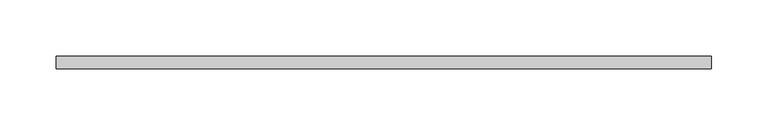
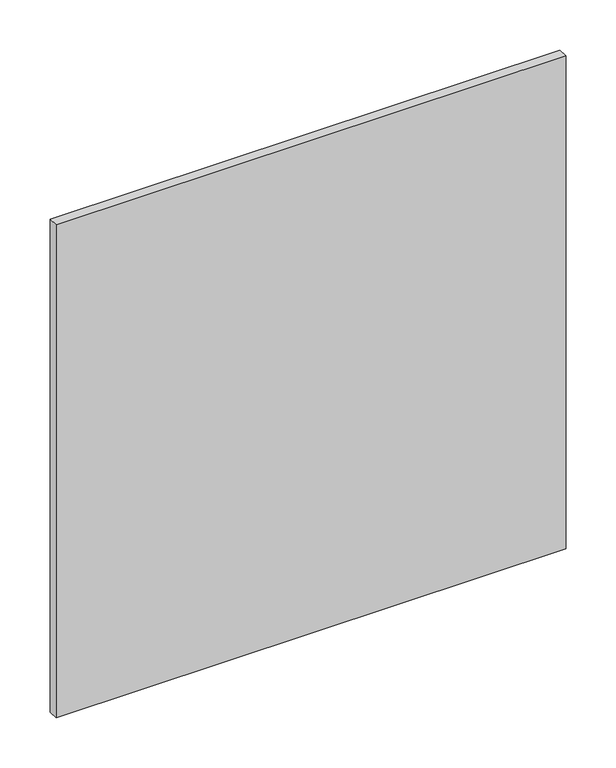
"""IFC4 building model written with IfcOpenShell, lengths in millimetres: proxy geometry."""

import ifcopenshell
import ifcopenshell.guid

model = None  # the IFC model being written
_history = None  # IfcOwnerHistory: only IFC2X3 demands one
_inside = {}  # id of a spatial element -> (the spatial element, [elements in it])
_under = {}  # id of a project, library or spatial element -> (it, [spatial elements below it])
_declared = {}  # id of a project -> (the project, [libraries it declares])
_typed = {}  # id of a type object -> (the type object, [elements of that type])
_made_of = {}  # id of a material, layer set ... -> (it, [elements and type objects made of it])


def new_model(schema):
    """Start an empty IFC model of exactly this schema.

    Asked for "IFC4X3", IfcOpenShell would pick the latest addendum, in which some entities
    have other attributes; the version numbers below select the first issue.
    IFC2X3 requires an IfcOwnerHistory on every rooted entity: one is made here for all.
    """
    global model, _history
    if schema == "IFC4X3":
        model = ifcopenshell.file(schema_version=(4, 3, 0, 0))
    else:
        model = ifcopenshell.file(schema=schema)
    _inside.clear()
    _under.clear()
    _declared.clear()
    _typed.clear()
    _made_of.clear()
    _history = None
    if model.schema == "IFC2X3":
        org = make("IfcOrganization", Name="unknown")
        user = make(
            "IfcPersonAndOrganization",
            ThePerson=make("IfcPerson", FamilyName="unknown"),
            TheOrganization=org,
        )
        app = make(
            "IfcApplication",
            ApplicationDeveloper=org,
            Version="unknown",
            ApplicationFullName="unknown",
            ApplicationIdentifier="unknown",
        )
        _history = make(
            "IfcOwnerHistory",
            OwningUser=user,
            OwningApplication=app,
            ChangeAction="ADDED",
            CreationDate=0,
        )
    return model


def make(cls, **values):
    """One entity of the class cls with the attributes given. An attribute that is None is left unset."""
    return model.create_entity(
        cls, **{name: value for name, value in values.items() if value is not None}
    )


def rooted(cls, **values):
    """An entity with a GlobalId (a new one), such as an element, a storey or a relation."""
    return make(cls, GlobalId=ifcopenshell.guid.new(), OwnerHistory=_history, **values)


def si_unit(unit_type, name, prefix=None):
    """IfcSIUnit, for example si_unit("LENGTHUNIT", "METRE", prefix="MILLI")."""
    return make("IfcSIUnit", UnitType=unit_type, Prefix=prefix, Name=name)


def assignment(units):
    """IfcUnitAssignment: the units of a project."""
    return None if units is None else make("IfcUnitAssignment", Units=units)


def point(xyz):
    """IfcCartesianPoint."""
    return None if xyz is None else make("IfcCartesianPoint", Coordinates=xyz)


def direction(xyz):
    """IfcDirection."""
    return None if xyz is None else make("IfcDirection", DirectionRatios=xyz)


def frame(location, z_axis=None, x_axis=None):
    """IfcAxis2Placement3D, a coordinate frame: its origin and axes. An axis left out is left unset."""
    return make(
        "IfcAxis2Placement3D",
        Location=point(location),
        Axis=direction(z_axis),
        RefDirection=direction(x_axis),
    )


def origin():
    """The frame at (0, 0, 0) with its axes left unset."""
    return frame((0.0, 0.0, 0.0))


def origin_with_axes():
    """The frame at (0, 0, 0) with the z axis (0, 0, 1) and the x axis (1, 0, 0) written out."""
    return frame((0.0, 0.0, 0.0), z_axis=(0.0, 0.0, 1.0), x_axis=(1.0, 0.0, 0.0))


def place(relative_to, where):
    """IfcLocalPlacement: puts the frame where relative to a parent placement (None: the world)."""
    return make(
        "IfcLocalPlacement", PlacementRelTo=relative_to, RelativePlacement=where
    )


def context(
    kind, dimensions, precision=None, world=None, true_north=None, identifier=None
):
    """IfcGeometricRepresentationContext, for example the 3D "Model" context."""
    return make(
        "IfcGeometricRepresentationContext",
        ContextIdentifier=identifier,
        ContextType=kind,
        CoordinateSpaceDimension=dimensions,
        Precision=precision,
        WorldCoordinateSystem=world,
        TrueNorth=true_north,
    )


def project(units=None, contexts=None):
    """IfcProject with its units and contexts."""
    return rooted(
        "IfcProject",
        Name="project",
        RepresentationContexts=contexts,
        UnitsInContext=assignment(units),
    )


def spatial(cls, under=None, at=None, **own):
    """A site, building, storey or space (cls), placed at a placement, below another one or the project."""
    s = rooted(cls, ObjectPlacement=at, **own)
    if under is not None:
        _under.setdefault(under.id(), (under, []))[1].append(s)
    return s


def polyline(points):
    """IfcPolyline through the points."""
    return make("IfcPolyline", Points=[point(p) for p in points])


def outline(outer, holes=None, kind="AREA"):
    """IfcArbitraryClosedProfileDef: a profile drawn as a closed curve; with holes, ...WithVoids."""
    if holes is None:
        return make("IfcArbitraryClosedProfileDef", ProfileType=kind, OuterCurve=outer)
    return make(
        "IfcArbitraryProfileDefWithVoids",
        ProfileType=kind,
        OuterCurve=outer,
        InnerCurves=holes,
    )


def extrude(swept, where, along, depth):
    """IfcExtrudedAreaSolid: the profile swept, set in the frame where, extruded along a direction by depth."""
    return make(
        "IfcExtrudedAreaSolid",
        SweptArea=swept,
        Position=where,
        ExtrudedDirection=direction(along),
        Depth=depth,
    )


def shape(context_of_items, identifier, shape_type, items):
    """IfcShapeRepresentation: the items that make up one representation, for example the "Body"."""
    return make(
        "IfcShapeRepresentation",
        ContextOfItems=context_of_items,
        RepresentationIdentifier=identifier,
        RepresentationType=shape_type,
        Items=items,
    )


def source(mapping_origin, context_of_items, identifier, shape_type, items):
    """IfcRepresentationMap: a shape defined once, which mapped items show again and again."""
    return make(
        "IfcRepresentationMap",
        MappingOrigin=mapping_origin,
        MappedRepresentation=shape(context_of_items, identifier, shape_type, items),
    )


def transform(
    local_origin,
    x_axis=None,
    y_axis=None,
    z_axis=None,
    scale=None,
    scale2=None,
    scale3=None,
    uniform=True,
):
    """IfcCartesianTransformationOperator3D, or its non-uniform kind. x_axis, y_axis, z_axis: its Axis1, 2, 3."""
    if uniform:
        return make(
            "IfcCartesianTransformationOperator3D",
            Axis1=direction(x_axis),
            Axis2=direction(y_axis),
            LocalOrigin=point(local_origin),
            Scale=scale,
            Axis3=direction(z_axis),
        )
    return make(
        "IfcCartesianTransformationOperator3DnonUniform",
        Axis1=direction(x_axis),
        Axis2=direction(y_axis),
        LocalOrigin=point(local_origin),
        Scale=scale,
        Axis3=direction(z_axis),
        Scale2=scale2,
        Scale3=scale3,
    )


def mapped(mapping_source, mapping_target):
    """IfcMappedItem: shows the shape of a source again, moved by a transform."""
    return make(
        "IfcMappedItem", MappingSource=mapping_source, MappingTarget=mapping_target
    )


def made_of(thing, what):
    """Note that an element or type object is made of a material, layer set ...; save() writes the relation."""
    if what is not None:
        _made_of.setdefault(what.id(), (what, []))[1].append(thing)
    return thing


def element(
    cls,
    number,
    at=None,
    inside=None,
    cuts=None,
    type_object=None,
    material=None,
    context=None,
    identifier="Body",
    shape_type=None,
    held_by="IfcProductDefinitionShape",
    body=None,
    shapes=None,
    **own,
):
    """One element of the class cls, such as IfcWall. Its Tag is "e" and its number.

    at: its placement. inside: the storey or other place that contains it. cuts: it is an
    opening in that element (IfcRelVoidsElement). A single representation is given by context,
    identifier, shape_type and body (its items); several are given by shapes. held_by: the class
    of the entity that holds the representations. save() writes the other relations.
    """
    e = rooted(cls, Tag="e%d" % number, ObjectPlacement=at, **own)
    if body is not None:
        shapes = [shape(context, identifier, shape_type, body)]
    if shapes is not None:
        e.Representation = make(held_by, Representations=shapes)
    if inside is not None:
        _inside.setdefault(inside.id(), (inside, []))[1].append(e)
    if cuts is not None:
        rooted(
            "IfcRelVoidsElement", RelatingBuildingElement=cuts, RelatedOpeningElement=e
        )
    if type_object is not None:
        _typed.setdefault(type_object.id(), (type_object, []))[1].append(e)
    return made_of(e, material)


def aggregate(whole, parts):
    """IfcRelAggregates: a whole, such as a stair, and the parts it consists of."""
    return rooted("IfcRelAggregates", RelatingObject=whole, RelatedObjects=parts)


def save(model, path):
    """Write the relations noted so far, then the file.

    IfcRelAggregates (storeys below a building ...), IfcRelContainedInSpatialStructure (elements
    in a storey), IfcRelDefinesByType, IfcRelAssociatesMaterial and IfcRelDeclares: one each for
    every whole, place, type object, material and project.
    """
    for whole, parts in _under.values():
        aggregate(whole, parts)
    for where, things in _inside.values():
        rooted(
            "IfcRelContainedInSpatialStructure",
            RelatedElements=things,
            RelatingStructure=where,
        )
    for kind, things in _typed.values():
        rooted("IfcRelDefinesByType", RelatedObjects=things, RelatingType=kind)
    for what, things in _made_of.values():
        rooted("IfcRelAssociatesMaterial", RelatedObjects=things, RelatingMaterial=what)
    for by, libraries in _declared.values():
        rooted("IfcRelDeclares", RelatingContext=by, RelatedDefinitions=libraries)
    model.write(path)


def entourage_601469f3(model_context):
    return source(origin(), model_context, "Body", "SweptSolid", [
        extrude(outline(polyline([(511.0757813, 3.175), (511.0757813, -7.9375), (-73.025, -7.9375), (-73.025, 3.175), (511.0757813, 3.175)])), origin_with_axes(), (0.0, 0.0, 1.0), 596.503125),
    ])


if __name__ == "__main__":
    model = new_model("IFC4")
    model_context = context("Model", 3, world=origin())
    ifc_project = project(units=[si_unit("LENGTHUNIT", "METRE", prefix="MILLI")], contexts=[model_context])
    site = spatial("IfcSite", under=ifc_project)
    building = spatial("IfcBuilding", under=site)
    placement = place(None, origin())
    entourage_shape = entourage_601469f3(model_context)
    element("IfcBuildingElementProxy", 1, Name="Entourage", at=placement, inside=building, context=model_context, shape_type="MappedRepresentation", body=[
        mapped(entourage_shape, transform((0.0, 0.0, 0.0), x_axis=(1.0, 0.0, 0.0), y_axis=(0.0, 1.0, 0.0), z_axis=(0.0, 0.0, 1.0))),
    ])
    save(model, "model.ifc")
